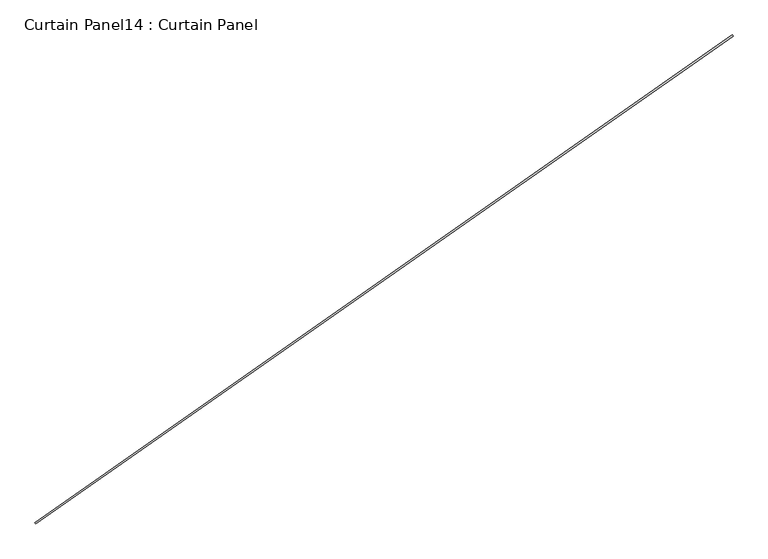
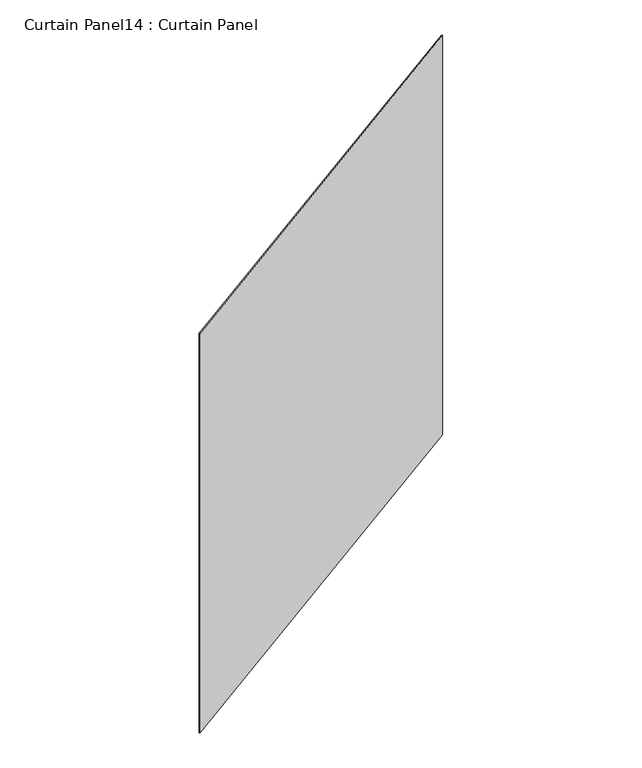
"""IFC4 building model written with IfcOpenShell, lengths in millimetres: plate geometry, Curtain Panel14 : Curtain Panel."""

from ifc_helpers import new_model, si_unit, frame, origin, place, context, project, spatial, polyline, outline, extrude, source, transform, mapped, element, save


def curtain_panel14_curtain_panel_bb284522(model_context):
    return source(origin(), model_context, "Body", "SweptSolid", [
        extrude(outline(polyline([(-79230.2847374, 10941.3207496), (-82169.0751679, 8883.5575369), (-82172.7173783, 8888.7591524), (-79233.9269477, 10946.522365), (-79230.2847374, 10941.3207496)])), frame((0.0, 0.0, 3048.0), z_axis=(0.0, 0.0, 1.0), x_axis=(1.0, 0.0, 0.0)), (0.0, 0.0, 1.0), 3048.0),
    ])


if __name__ == "__main__":
    model = new_model("IFC4")
    model_context = context("Model", 3, world=origin())
    ifc_project = project(units=[si_unit("LENGTHUNIT", "METRE", prefix="MILLI")], contexts=[model_context])
    site = spatial("IfcSite", under=ifc_project)
    building = spatial("IfcBuilding", under=site)
    placement = place(None, origin())
    curtain_panel14_curtain_panel_shape = curtain_panel14_curtain_panel_bb284522(model_context)
    element("IfcPlate", 1, ObjectType="Curtain Panel14 : Curtain Panel", at=placement, inside=building, context=model_context, shape_type="MappedRepresentation", body=[
        mapped(curtain_panel14_curtain_panel_shape, transform((0.0, 0.0, 0.0), x_axis=(1.0, 0.0, 0.0), y_axis=(0.0, 1.0, 0.0), z_axis=(0.0, 0.0, 1.0))),
    ])
    save(model, "model.ifc")
